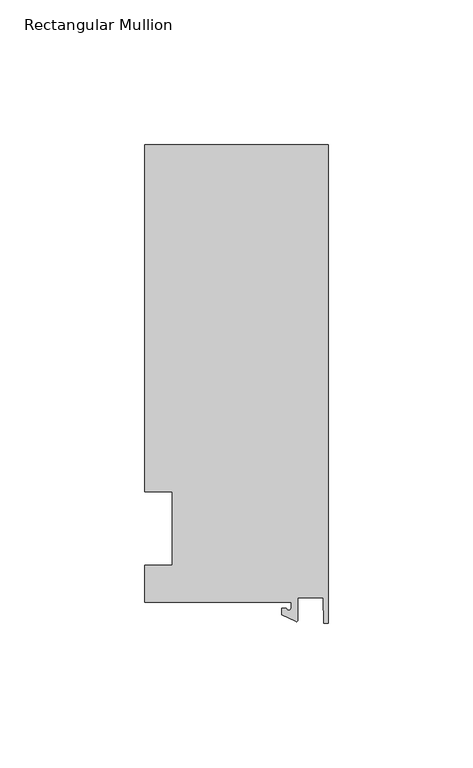
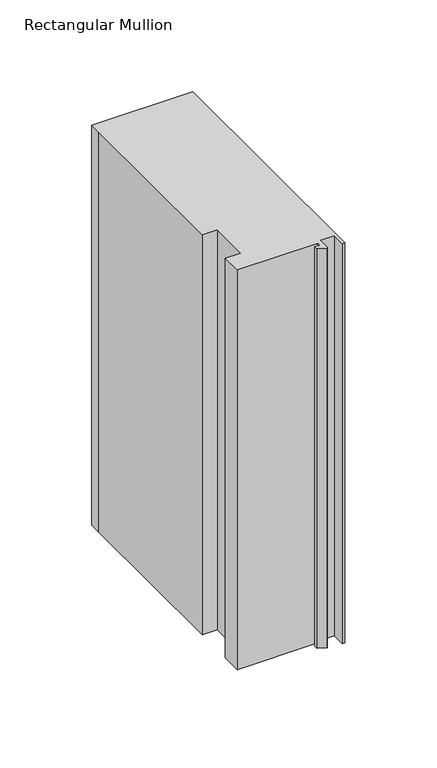
"""IFC4 building model written with IfcOpenShell, lengths in millimetres: member geometry, Rectangular Mullion."""

from ifc_helpers import new_model, si_unit, point, frame, frame_2d, origin, place, context, project, spatial, polyline, circle_curve, trimmed, segment, composite_curve, outline, extrude, source, transform, mapped, element, save


def rectangular_mullion_9b5f7bdc(model_context):
    return source(origin(), model_context, "Body", "SweptSolid", [
        extrude(outline(composite_curve([segment(polyline([(-12.8216721, -25.5984375), (-63.5, -25.5984375), (-63.5, -12.7), (-53.975, -12.7), (-53.975, 12.7), (-63.5, 12.7), (-63.5, 125.075512), (-63.5, 132.822512), (0.0, 132.822512), (0.0, -32.810012), (-1.5566453, -32.810012), (-1.7144124, -23.9227662), (-10.4340721, -23.9227662), (-10.4340721, -31.6795354)]), True, "CONTINUOUS"), segment(trimmed(circle_curve(frame_2d((-10.9420721, -31.6795354)), 0.508), [point((-10.4340721, -31.6795354))], [point((-11.1567622, -32.1399398))], False, "CARTESIAN"), True, "CONTINUOUS"), segment(polyline([(-11.1567622, -32.1399398), (-15.9966721, -29.8830527), (-15.9966721, -27.5208534), (-14.4091721, -27.5208534)]), True, "CONTINUOUS"), segment(trimmed(circle_curve(frame_2d((-13.6154221, -27.5208534)), 0.79375), [point((-14.4091721, -27.5208534))], [point((-12.8216721, -27.5208534))], True, "CARTESIAN"), True, "CONTINUOUS"), segment(polyline([(-12.8216721, -27.5208534), (-12.8216721, -25.5984375)]), True, "CONTINUOUS")], self_intersect=False)), frame((0.0, 0.0, -265.75385), z_axis=(0.0, 0.0, 1.0), x_axis=(1.0, 0.0, 0.0)), (0.0, 0.0, 1.0), 265.75385),
    ])


if __name__ == "__main__":
    model = new_model("IFC4")
    model_context = context("Model", 3, world=origin())
    ifc_project = project(units=[si_unit("LENGTHUNIT", "METRE", prefix="MILLI")], contexts=[model_context])
    site = spatial("IfcSite", under=ifc_project)
    building = spatial("IfcBuilding", under=site)
    placement = place(None, origin())
    rectangular_mullion_shape = rectangular_mullion_9b5f7bdc(model_context)
    element("IfcMember", 1, ObjectType="Rectangular Mullion", at=placement, inside=building, context=model_context, shape_type="MappedRepresentation", body=[
        mapped(rectangular_mullion_shape, transform((0.0, 0.0, 0.0), x_axis=(1.0, 0.0, 0.0), y_axis=(0.0, 1.0, 0.0), z_axis=(0.0, 0.0, 1.0))),
    ])
    save(model, "model.ifc")
